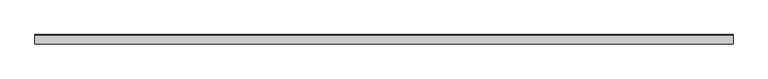
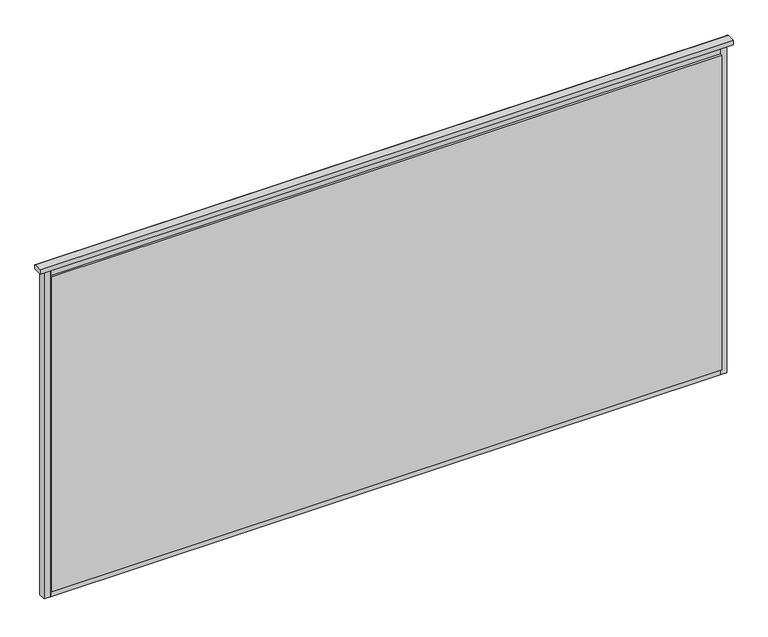
"""IFC4 building model written with IfcOpenShell, lengths in millimetres: plate geometry."""

from ifc_helpers import new_model, si_unit, point, frame, frame_2d, origin, place, context, project, spatial, polyline, circle_curve, trimmed, segment, composite_curve, outline, extrude, source, transform, mapped, element, save
from ifc_brep_helpers import plane_surface, cylinder_surface, advanced_brep


def plate_34c296a4(model_context):
    return source(origin(), model_context, "Body", "SolidModel", [
        advanced_brep(
        [(1046.1471954, 13.8070793, 1036.0002427), (1046.1471954, 13.8070793, 1048.4999993), (1046.1471954, 12.3070793, 1049.9999993), (1046.1471954, -14.0, 1049.9999993), (1046.1471954, -14.0, 1035.0), (1046.1471954, 12.8070793, 1035.0), (-1046.1471954, 13.8070793, 1036.0002427), (-1046.1471954, 12.8070793, 1035.0002427), (-1046.1471954, -14.0, 1035.0), (-1046.1471954, -14.0, 1049.9999993), (-1046.1471954, 12.3070793, 1049.9999993), (-1046.1471954, 13.8070793, 1048.4999993)],
        [
            (0, 1),
            (1, 2, circle_curve(frame((1046.1471954, 12.3070793, 1048.4999993), z_axis=(1.0, 0.0, 0.0), x_axis=(0.0, 1.0, 0.0)), 1.5)),
            (2, 3),
            (3, 4),
            (4, 5),
            (5, 0, circle_curve(frame((1046.1471954, 12.8070793, 1036.0002427), z_axis=(1.0, 0.0, 0.0), x_axis=(0.0, 1.0, 0.0)), 1.0)),
            (6, 7, circle_curve(frame((-1046.1471954, 12.8070793, 1036.0002427), z_axis=(-1.0, 0.0, 0.0), x_axis=(0.0, 1.0, 0.0)), 1.0)),
            (7, 8),
            (8, 9),
            (9, 10),
            (10, 11, circle_curve(frame((-1046.1471954, 12.3070793, 1048.4999993), z_axis=(-1.0, 0.0, 0.0), x_axis=(0.0, 1.0, 0.0)), 1.5)),
            (11, 6),
            (0, 6),
            (11, 1),
            (10, 2),
            (9, 3),
            (8, 4),
            (7, 5),
        ],
        [
            plane_surface(frame((1046.1471954, 13.8070793, 1048.4999993), z_axis=(1.0, 0.0, 0.0), x_axis=(0.0, 0.0, 1.0))),
            plane_surface(frame((-1046.1471954, 13.8070793, 1048.4999993), z_axis=(-1.0, 0.0, 0.0), x_axis=(0.0, 0.0, -1.0))),
            plane_surface(frame((1046.1471954, 13.8070793, 1036.0002427), z_axis=(0.0, 1.0, 0.0), x_axis=(-1.0, 0.0, 0.0))),
            cylinder_surface(frame((-1046.1471954, 12.3070793, 1048.4999993), z_axis=(1.0, 0.0, 0.0), x_axis=(0.0, 1.0, 0.0)), 1.5),
            plane_surface(frame((1046.1471954, 12.3070793, 1049.9999993), z_axis=(0.0, 0.0, 1.0), x_axis=(-1.0, 0.0, 0.0))),
            plane_surface(frame((1046.1471954, -14.0, 1049.9999993), z_axis=(0.0, -1.0, 0.0), x_axis=(-1.0, 0.0, 0.0))),
            plane_surface(frame((1046.1471954, -14.0, 1035.0), z_axis=(0.0, 0.0, -1.0), x_axis=(-1.0, 0.0, 0.0))),
            cylinder_surface(frame((-1046.1471954, 12.8070793, 1036.0002427), z_axis=(1.0, 0.0, 0.0), x_axis=(0.0, 1.0, 0.0)), 1.0),
        ],
        [
            (0, [[1, 2, 3, 4, 5, 6]]),
            (1, [[7, 8, 9, 10, 11, 12]]),
            (2, [[-1, 13, -12, 14]]),
            (3, [[-2, -14, -11, 15]]),
            (4, [[-3, -15, -10, 16]]),
            (5, [[-4, -16, -9, 17]]),
            (6, [[-5, -17, -8, 18]]),
            (7, [[-6, -18, -7, -13]]),
        ],
    ),
        extrude(outline(polyline([(1011.1471954, 14.0), (1011.1471954, 8.0), (-1011.1471954, 8.0), (-1011.1471954, 14.0), (1011.1471954, 14.0)])), frame((0.0, 0.0, 10.0), z_axis=(0.0, 0.0, 1.0), x_axis=(1.0, 0.0, 0.0)), (0.0, 0.0, 1.0), 1005.0),
        extrude(outline(polyline([(1011.1471954, -8.0), (1011.1471954, -14.0), (-1011.1471954, -14.0), (-1011.1471954, -8.0), (1011.1471954, -8.0)])), frame((0.0, 0.0, 10.0), z_axis=(0.0, 0.0, 1.0), x_axis=(1.0, 0.0, 0.0)), (0.0, 0.0, 1.0), 1005.0),
        extrude(outline(composite_curve([segment(polyline([(13.499631, -10.0), (-8.0, -10.0), (-8.0, 10.0), (13.499631, 10.0)]), True, "CONTINUOUS"), segment(trimmed(circle_curve(frame_2d((45.6328576, 0.0)), 33.6532948), [point((13.499631, 10.0))], [point((13.499631, -10.0))], True, "CARTESIAN"), True, "CONTINUOUS")], self_intersect=False)), frame((-1011.1471954, 0.0, 0.0), z_axis=(1.0, 0.0, 0.0), x_axis=(0.0, 1.0, 0.0)), (0.0, 0.0, 1.0), 2022.2943908),
        extrude(outline(composite_curve([segment(trimmed(circle_curve(frame_2d((45.6328576, 1025.0)), 33.6532948), [point((13.499631, 1035.0))], [point((13.499631, 1015.0))], True, "CARTESIAN"), True, "CONTINUOUS"), segment(polyline([(13.499631, 1015.0), (-8.0, 1015.0), (-8.0, 1035.0), (13.499631, 1035.0)]), True, "CONTINUOUS")], self_intersect=False)), frame((-1011.1471954, 0.0, 0.0), z_axis=(1.0, 0.0, 0.0), x_axis=(0.0, 1.0, 0.0)), (0.0, 0.0, 1.0), 2022.2943908),
        extrude(outline(composite_curve([segment(polyline([(1031.1471954, -8.0), (1011.1471954, -8.0), (1011.1471954, 13.5022002)]), True, "CONTINUOUS"), segment(trimmed(circle_curve(frame_2d((1021.0736836, 45.5022747)), 33.5043271), [point((1011.1471954, 13.5022002))], [point((1031.1471954, 13.548178))], True, "CARTESIAN"), True, "CONTINUOUS"), segment(polyline([(1031.1471954, 13.548178), (1031.1471954, -8.0)]), True, "CONTINUOUS")], self_intersect=False)), frame((0.0, 0.0, -10.0), z_axis=(0.0, 0.0, 1.0), x_axis=(1.0, 0.0, 0.0)), (0.0, 0.0, 1.0), 1045.0),
        extrude(outline(composite_curve([segment(polyline([(-1011.1471954, -8.0), (-1031.1471954, -8.0), (-1031.1471954, 13.499631)]), True, "CONTINUOUS"), segment(trimmed(circle_curve(frame_2d((-1021.1471954, 45.6328576)), 33.6532948), [point((-1031.1471954, 13.499631))], [point((-1011.1471954, 13.499631))], True, "CARTESIAN"), True, "CONTINUOUS"), segment(polyline([(-1011.1471954, 13.499631), (-1011.1471954, -8.0)]), True, "CONTINUOUS")], self_intersect=False)), frame((0.0, 0.0, -10.0), z_axis=(0.0, 0.0, 1.0), x_axis=(1.0, 0.0, 0.0)), (0.0, 0.0, 1.0), 1045.0),
    ])


if __name__ == "__main__":
    model = new_model("IFC4")
    model_context = context("Model", 3, world=origin())
    ifc_project = project(units=[si_unit("LENGTHUNIT", "METRE", prefix="MILLI")], contexts=[model_context])
    site = spatial("IfcSite", under=ifc_project)
    building = spatial("IfcBuilding", under=site)
    placement = place(None, origin())
    plate_shape = plate_34c296a4(model_context)
    element("IfcPlate", 1, at=placement, inside=building, context=model_context, shape_type="MappedRepresentation", body=[
        mapped(plate_shape, transform((0.0, 0.0, 0.0), x_axis=(1.0, 0.0, 0.0), y_axis=(0.0, 1.0, 0.0), z_axis=(0.0, 0.0, 1.0))),
    ])
    save(model, "model.ifc")
